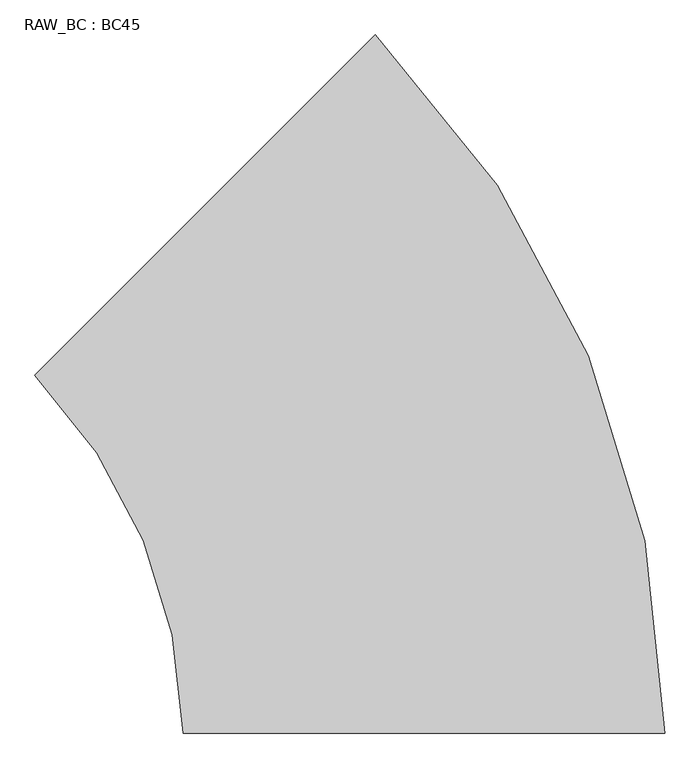
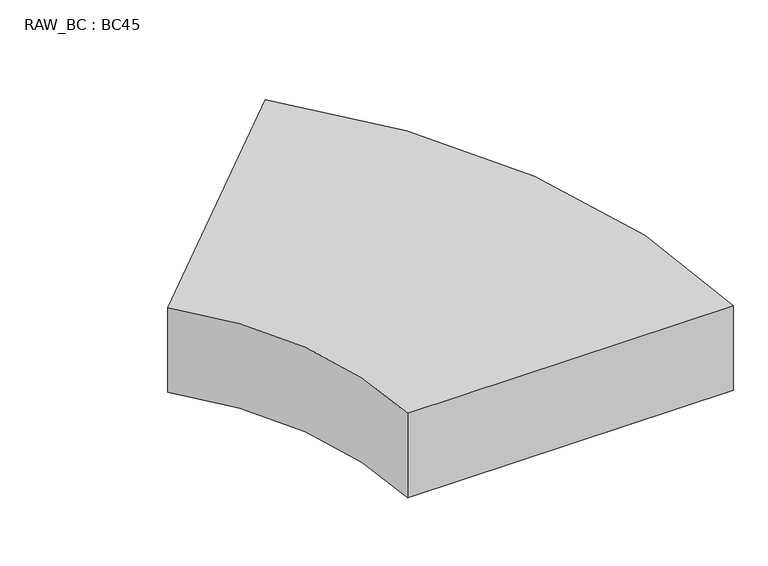
"""IFC4 building model written with IfcOpenShell, lengths in millimetres: proxy geometry, RAW_BC : BC45."""

from ifc_helpers import new_model, si_unit, point, frame, frame_2d, origin, place, context, project, spatial, polyline, circle_curve, trimmed, segment, composite_curve, outline, extrude, source, transform, mapped, element, save


def raw_bc_bc45_e4db0add(model_context):
    return source(origin(), model_context, "Body", "SweptSolid", [
        extrude(outline(composite_curve([segment(trimmed(circle_curve(frame_2d((-1714.5, 0.0)), 2315.5), [point((-66.2707772, 1626.3089126))], [point((600.9481208, 15.5))], False, "CARTESIAN"), True, "CONTINUOUS"), segment(polyline([(600.9481208, 15.5), (-510.0997343, 15.5)]), True, "CONTINUOUS"), segment(trimmed(circle_curve(frame_2d((-1714.5, 0.0)), 1204.5), [point((-510.0997343, 15.5))], [point((-851.9002498, 840.67944))], True, "CARTESIAN"), True, "CONTINUOUS"), segment(polyline([(-851.9002498, 840.67944), (-66.2707772, 1626.3089126)]), True, "CONTINUOUS")], self_intersect=False)), frame((0.0, 0.0, -304.5), z_axis=(0.0, 0.0, 1.0), x_axis=(1.0, 0.0, 0.0)), (0.0, 0.0, 1.0), 304.5),
    ])


if __name__ == "__main__":
    model = new_model("IFC4")
    model_context = context("Model", 3, world=origin())
    ifc_project = project(units=[si_unit("LENGTHUNIT", "METRE", prefix="MILLI")], contexts=[model_context])
    site = spatial("IfcSite", under=ifc_project)
    building = spatial("IfcBuilding", under=site)
    placement = place(None, origin())
    raw_bc_bc45_shape = raw_bc_bc45_e4db0add(model_context)
    element("IfcBuildingElementProxy", 1, Name="RAW_BC : BC45", ObjectType="RAW_BC : BC45", at=placement, inside=building, context=model_context, shape_type="MappedRepresentation", body=[
        mapped(raw_bc_bc45_shape, transform((0.0, 0.0, 0.0), x_axis=(1.0, 0.0, 0.0), y_axis=(0.0, 1.0, 0.0), z_axis=(0.0, 0.0, 1.0))),
    ])
    save(model, "model.ifc")
